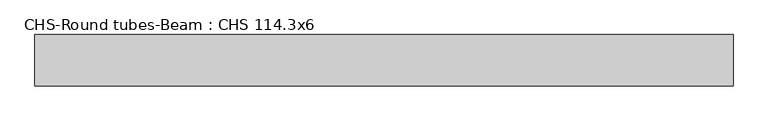
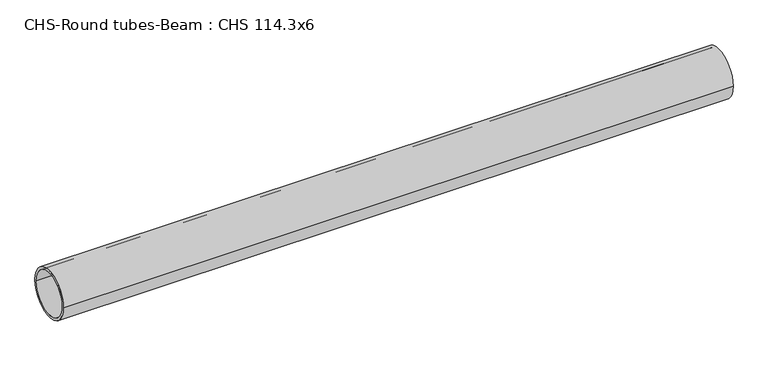
"""IFC4 building model written with IfcOpenShell, lengths in millimetres: beam geometry, CHS-Round tubes-Beam : CHS 114.3x6."""

from ifc_helpers import new_model, si_unit, point, frame, origin, origin_2d, place, context, project, spatial, circle_curve, trimmed, segment, composite_curve, outline, extrude, source, transform, mapped, element, save


def chs_round_tubes_beam_chs_114_3x6_951d1465(model_context):
    return source(origin(), model_context, "Body", "SweptSolid", [
        extrude(outline(composite_curve([segment(trimmed(circle_curve(origin_2d(), 57.15), [point((57.15, 0.0))], [point((-57.15, 0.0))], False, "CARTESIAN"), True, "CONTINUOUS"), segment(trimmed(circle_curve(origin_2d(), 57.15), [point((-57.15, 0.0))], [point((57.15, 0.0))], False, "CARTESIAN"), True, "CONTINUOUS")], self_intersect=False), holes=[composite_curve([segment(trimmed(circle_curve(origin_2d(), 51.15), [point((51.15, 0.0))], [point((-51.15, 0.0))], True, "CARTESIAN"), True, "CONTINUOUS"), segment(trimmed(circle_curve(origin_2d(), 51.15), [point((-51.15, 0.0))], [point((51.15, 0.0))], True, "CARTESIAN"), True, "CONTINUOUS")], self_intersect=False)]), frame((-790.0858171, 0.0, 0.0), z_axis=(1.0, 0.0, 0.0), x_axis=(0.0, 1.0, 0.0)), (0.0, 0.0, 1.0), 1555.4685096),
    ])


if __name__ == "__main__":
    model = new_model("IFC4")
    model_context = context("Model", 3, world=origin())
    ifc_project = project(units=[si_unit("LENGTHUNIT", "METRE", prefix="MILLI")], contexts=[model_context])
    site = spatial("IfcSite", under=ifc_project)
    building = spatial("IfcBuilding", under=site)
    placement = place(None, origin())
    chs_round_tubes_beam_chs_114_3x6_shape = chs_round_tubes_beam_chs_114_3x6_951d1465(model_context)
    element("IfcBeam", 1, ObjectType="CHS-Round tubes-Beam : CHS 114.3x6", at=placement, inside=building, context=model_context, shape_type="MappedRepresentation", body=[
        mapped(chs_round_tubes_beam_chs_114_3x6_shape, transform((0.0, 0.0, 0.0), x_axis=(1.0, 0.0, 0.0), y_axis=(0.0, 1.0, 0.0), z_axis=(0.0, 0.0, 1.0))),
    ])
    save(model, "model.ifc")
